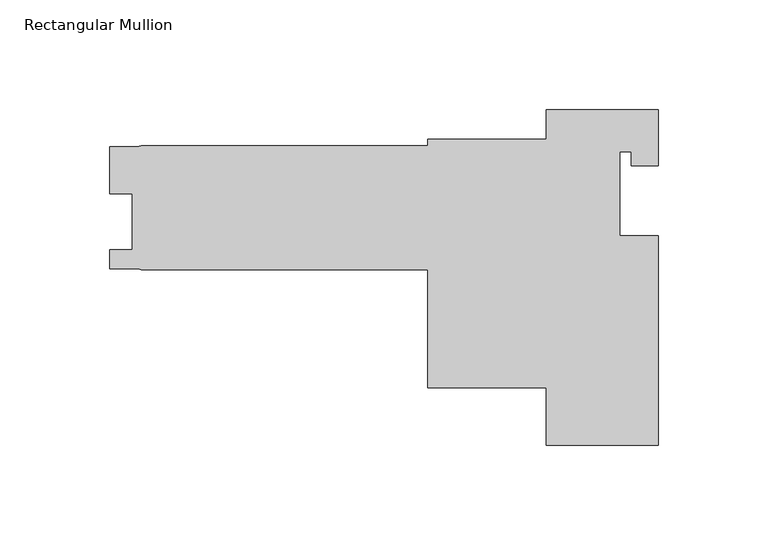
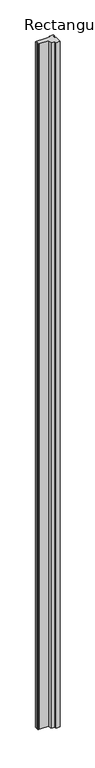
"""IFC4 building model written with IfcOpenShell, lengths in millimetres: member geometry, Rectangular Mullion."""

from ifc_helpers import new_model, si_unit, frame, origin, place, context, project, spatial, polyline, outline, extrude, source, transform, mapped, element, save


def rectangular_mullion_bdcf6503(model_context):
    return source(origin(), model_context, "Body", "SweptSolid", [
        extrude(outline(polyline([(50.8, 0.0), (50.8, -25.4), (38.608, -25.4), (38.608, -19.05), (33.3502, -19.05), (33.3502, -57.1500019), (50.8, -57.1500019), (50.8, -152.4), (0.0, -152.4), (0.0, -126.3904), (-53.975, -126.3904), (-53.975, -72.6694), (-184.15, -72.6694), (-185.5730789, -72.1514416), (-198.4375, -72.20585), (-198.4375, -63.46825), (-188.3918, -63.46825), (-188.3918, -38.06825), (-198.4247998, -38.06825), (-198.4247998, -16.6369999), (-185.9837286, -16.6369999), (-184.15, -16.1798), (-53.975, -16.1798), (-53.975, -13.3096), (0.0, -13.3096), (0.0, 0.0), (50.8, 0.0)])), frame((0.0, 0.0, -9694.2766922), z_axis=(0.0, 0.0, 1.0), x_axis=(1.0, 0.0, 0.0)), (0.0, 0.0, 1.0), 9694.2766922),
    ])


if __name__ == "__main__":
    model = new_model("IFC4")
    model_context = context("Model", 3, world=origin())
    ifc_project = project(units=[si_unit("LENGTHUNIT", "METRE", prefix="MILLI")], contexts=[model_context])
    site = spatial("IfcSite", under=ifc_project)
    building = spatial("IfcBuilding", under=site)
    placement = place(None, origin())
    rectangular_mullion_shape = rectangular_mullion_bdcf6503(model_context)
    element("IfcMember", 1, ObjectType="Rectangular Mullion", at=placement, inside=building, context=model_context, shape_type="MappedRepresentation", body=[
        mapped(rectangular_mullion_shape, transform((0.0, 0.0, 0.0), x_axis=(1.0, 0.0, 0.0), y_axis=(0.0, 1.0, 0.0), z_axis=(0.0, 0.0, 1.0))),
    ])
    save(model, "model.ifc")
